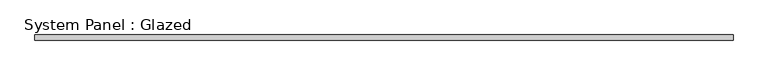
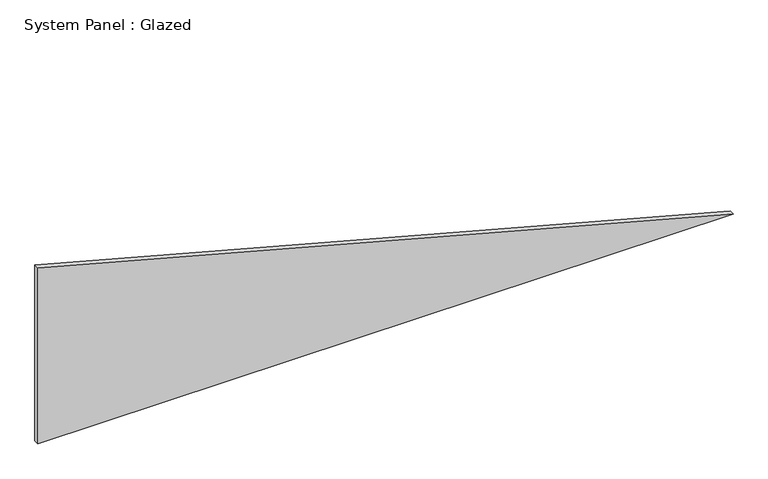
"""IFC4 building model written with IfcOpenShell, lengths in millimetres: plate geometry, System Panel : Glazed."""

from ifc_helpers import new_model, si_unit, frame, origin, place, context, project, spatial, polyline, outline, extrude, source, transform, mapped, element, save


def system_panel_glazed_3e84ba5e(model_context):
    return source(origin(), model_context, "Body", "SweptSolid", [
        extrude(outline(polyline([(0.0, -1703.2884867), (0.0, 1703.2884867), (912.789549, -1703.2884867), (0.0, -1703.2884867)])), frame((0.0, -22.5, 0.0), z_axis=(0.0, 1.0, 0.0), x_axis=(0.0, 0.0, 1.0)), (0.0, 0.0, 1.0), 25.0),
    ])


if __name__ == "__main__":
    model = new_model("IFC4")
    model_context = context("Model", 3, world=origin())
    ifc_project = project(units=[si_unit("LENGTHUNIT", "METRE", prefix="MILLI")], contexts=[model_context])
    site = spatial("IfcSite", under=ifc_project)
    building = spatial("IfcBuilding", under=site)
    placement = place(None, origin())
    system_panel_glazed_shape = system_panel_glazed_3e84ba5e(model_context)
    element("IfcPlate", 1, ObjectType="System Panel : Glazed", at=placement, inside=building, context=model_context, shape_type="MappedRepresentation", body=[
        mapped(system_panel_glazed_shape, transform((0.0, 0.0, 0.0), x_axis=(1.0, 0.0, 0.0), y_axis=(0.0, 1.0, 0.0), z_axis=(0.0, 0.0, 1.0))),
    ])
    save(model, "model.ifc")
